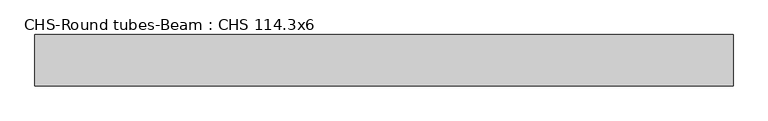
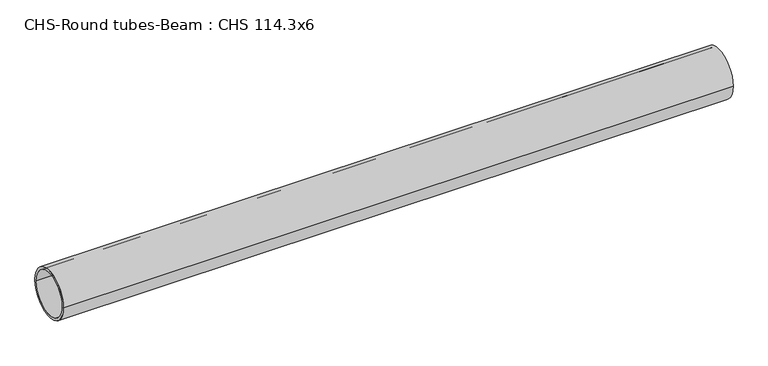
"""IFC4 building model written with IfcOpenShell, lengths in millimetres: beam geometry, CHS-Round tubes-Beam : CHS 114.3x6."""

from ifc_helpers import new_model, si_unit, point, frame, origin, origin_2d, place, context, project, spatial, circle_curve, trimmed, segment, composite_curve, outline, extrude, source, transform, mapped, element, save


def chs_round_tubes_beam_chs_114_3x6_fc851d3d(model_context):
    return source(origin(), model_context, "Body", "SweptSolid", [
        extrude(outline(composite_curve([segment(trimmed(circle_curve(origin_2d(), 57.15), [point((57.15, 0.0))], [point((-57.15, 0.0))], False, "CARTESIAN"), True, "CONTINUOUS"), segment(trimmed(circle_curve(origin_2d(), 57.15), [point((-57.15, 0.0))], [point((57.15, 0.0))], False, "CARTESIAN"), True, "CONTINUOUS")], self_intersect=False), holes=[composite_curve([segment(trimmed(circle_curve(origin_2d(), 51.15), [point((51.15, 0.0))], [point((-51.15, 0.0))], True, "CARTESIAN"), True, "CONTINUOUS"), segment(trimmed(circle_curve(origin_2d(), 51.15), [point((-51.15, 0.0))], [point((51.15, 0.0))], True, "CARTESIAN"), True, "CONTINUOUS")], self_intersect=False)]), frame((-749.3385634, 0.0, 0.0), z_axis=(1.0, 0.0, 0.0), x_axis=(0.0, 1.0, 0.0)), (0.0, 0.0, 1.0), 1553.7036749),
    ])


if __name__ == "__main__":
    model = new_model("IFC4")
    model_context = context("Model", 3, world=origin())
    ifc_project = project(units=[si_unit("LENGTHUNIT", "METRE", prefix="MILLI")], contexts=[model_context])
    site = spatial("IfcSite", under=ifc_project)
    building = spatial("IfcBuilding", under=site)
    placement = place(None, origin())
    chs_round_tubes_beam_chs_114_3x6_shape = chs_round_tubes_beam_chs_114_3x6_fc851d3d(model_context)
    element("IfcBeam", 1, ObjectType="CHS-Round tubes-Beam : CHS 114.3x6", at=placement, inside=building, context=model_context, shape_type="MappedRepresentation", body=[
        mapped(chs_round_tubes_beam_chs_114_3x6_shape, transform((0.0, 0.0, 0.0), x_axis=(1.0, 0.0, 0.0), y_axis=(0.0, 1.0, 0.0), z_axis=(0.0, 0.0, 1.0))),
    ])
    save(model, "model.ifc")
